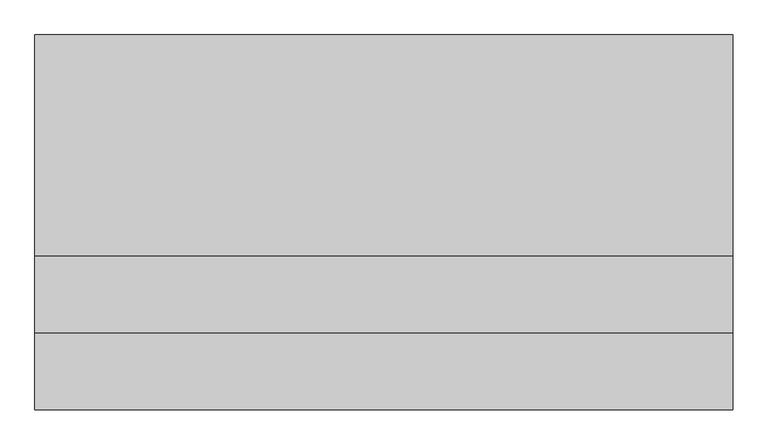
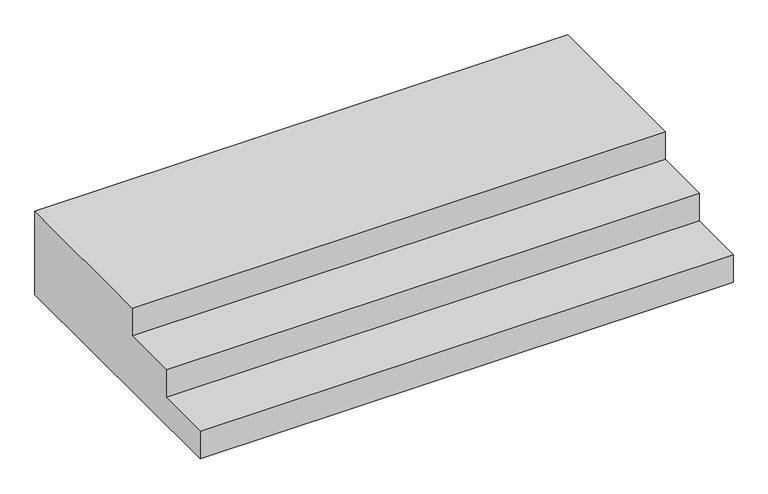
"""IFC4 building model written with IfcOpenShell, lengths in millimetres: proxy geometry."""

import ifcopenshell
import ifcopenshell.guid

model = None  # the IFC model being written
_history = None  # IfcOwnerHistory: only IFC2X3 demands one
_inside = {}  # id of a spatial element -> (the spatial element, [elements in it])
_under = {}  # id of a project, library or spatial element -> (it, [spatial elements below it])
_declared = {}  # id of a project -> (the project, [libraries it declares])
_typed = {}  # id of a type object -> (the type object, [elements of that type])
_made_of = {}  # id of a material, layer set ... -> (it, [elements and type objects made of it])


def new_model(schema):
    """Start an empty IFC model of exactly this schema.

    Asked for "IFC4X3", IfcOpenShell would pick the latest addendum, in which some entities
    have other attributes; the version numbers below select the first issue.
    IFC2X3 requires an IfcOwnerHistory on every rooted entity: one is made here for all.
    """
    global model, _history
    if schema == "IFC4X3":
        model = ifcopenshell.file(schema_version=(4, 3, 0, 0))
    else:
        model = ifcopenshell.file(schema=schema)
    _inside.clear()
    _under.clear()
    _declared.clear()
    _typed.clear()
    _made_of.clear()
    _history = None
    if model.schema == "IFC2X3":
        org = make("IfcOrganization", Name="unknown")
        user = make(
            "IfcPersonAndOrganization",
            ThePerson=make("IfcPerson", FamilyName="unknown"),
            TheOrganization=org,
        )
        app = make(
            "IfcApplication",
            ApplicationDeveloper=org,
            Version="unknown",
            ApplicationFullName="unknown",
            ApplicationIdentifier="unknown",
        )
        _history = make(
            "IfcOwnerHistory",
            OwningUser=user,
            OwningApplication=app,
            ChangeAction="ADDED",
            CreationDate=0,
        )
    return model


def make(cls, **values):
    """One entity of the class cls with the attributes given. An attribute that is None is left unset."""
    return model.create_entity(
        cls, **{name: value for name, value in values.items() if value is not None}
    )


def rooted(cls, **values):
    """An entity with a GlobalId (a new one), such as an element, a storey or a relation."""
    return make(cls, GlobalId=ifcopenshell.guid.new(), OwnerHistory=_history, **values)


def si_unit(unit_type, name, prefix=None):
    """IfcSIUnit, for example si_unit("LENGTHUNIT", "METRE", prefix="MILLI")."""
    return make("IfcSIUnit", UnitType=unit_type, Prefix=prefix, Name=name)


def assignment(units):
    """IfcUnitAssignment: the units of a project."""
    return None if units is None else make("IfcUnitAssignment", Units=units)


def point(xyz):
    """IfcCartesianPoint."""
    return None if xyz is None else make("IfcCartesianPoint", Coordinates=xyz)


def direction(xyz):
    """IfcDirection."""
    return None if xyz is None else make("IfcDirection", DirectionRatios=xyz)


def frame(location, z_axis=None, x_axis=None):
    """IfcAxis2Placement3D, a coordinate frame: its origin and axes. An axis left out is left unset."""
    return make(
        "IfcAxis2Placement3D",
        Location=point(location),
        Axis=direction(z_axis),
        RefDirection=direction(x_axis),
    )


def origin():
    """The frame at (0, 0, 0) with its axes left unset."""
    return frame((0.0, 0.0, 0.0))


def place(relative_to, where):
    """IfcLocalPlacement: puts the frame where relative to a parent placement (None: the world)."""
    return make(
        "IfcLocalPlacement", PlacementRelTo=relative_to, RelativePlacement=where
    )


def context(
    kind, dimensions, precision=None, world=None, true_north=None, identifier=None
):
    """IfcGeometricRepresentationContext, for example the 3D "Model" context."""
    return make(
        "IfcGeometricRepresentationContext",
        ContextIdentifier=identifier,
        ContextType=kind,
        CoordinateSpaceDimension=dimensions,
        Precision=precision,
        WorldCoordinateSystem=world,
        TrueNorth=true_north,
    )


def project(units=None, contexts=None):
    """IfcProject with its units and contexts."""
    return rooted(
        "IfcProject",
        Name="project",
        RepresentationContexts=contexts,
        UnitsInContext=assignment(units),
    )


def spatial(cls, under=None, at=None, **own):
    """A site, building, storey or space (cls), placed at a placement, below another one or the project."""
    s = rooted(cls, ObjectPlacement=at, **own)
    if under is not None:
        _under.setdefault(under.id(), (under, []))[1].append(s)
    return s


def polyline(points):
    """IfcPolyline through the points."""
    return make("IfcPolyline", Points=[point(p) for p in points])


def outline(outer, holes=None, kind="AREA"):
    """IfcArbitraryClosedProfileDef: a profile drawn as a closed curve; with holes, ...WithVoids."""
    if holes is None:
        return make("IfcArbitraryClosedProfileDef", ProfileType=kind, OuterCurve=outer)
    return make(
        "IfcArbitraryProfileDefWithVoids",
        ProfileType=kind,
        OuterCurve=outer,
        InnerCurves=holes,
    )


def extrude(swept, where, along, depth):
    """IfcExtrudedAreaSolid: the profile swept, set in the frame where, extruded along a direction by depth."""
    return make(
        "IfcExtrudedAreaSolid",
        SweptArea=swept,
        Position=where,
        ExtrudedDirection=direction(along),
        Depth=depth,
    )


def shape(context_of_items, identifier, shape_type, items):
    """IfcShapeRepresentation: the items that make up one representation, for example the "Body"."""
    return make(
        "IfcShapeRepresentation",
        ContextOfItems=context_of_items,
        RepresentationIdentifier=identifier,
        RepresentationType=shape_type,
        Items=items,
    )


def source(mapping_origin, context_of_items, identifier, shape_type, items):
    """IfcRepresentationMap: a shape defined once, which mapped items show again and again."""
    return make(
        "IfcRepresentationMap",
        MappingOrigin=mapping_origin,
        MappedRepresentation=shape(context_of_items, identifier, shape_type, items),
    )


def transform(
    local_origin,
    x_axis=None,
    y_axis=None,
    z_axis=None,
    scale=None,
    scale2=None,
    scale3=None,
    uniform=True,
):
    """IfcCartesianTransformationOperator3D, or its non-uniform kind. x_axis, y_axis, z_axis: its Axis1, 2, 3."""
    if uniform:
        return make(
            "IfcCartesianTransformationOperator3D",
            Axis1=direction(x_axis),
            Axis2=direction(y_axis),
            LocalOrigin=point(local_origin),
            Scale=scale,
            Axis3=direction(z_axis),
        )
    return make(
        "IfcCartesianTransformationOperator3DnonUniform",
        Axis1=direction(x_axis),
        Axis2=direction(y_axis),
        LocalOrigin=point(local_origin),
        Scale=scale,
        Axis3=direction(z_axis),
        Scale2=scale2,
        Scale3=scale3,
    )


def mapped(mapping_source, mapping_target):
    """IfcMappedItem: shows the shape of a source again, moved by a transform."""
    return make(
        "IfcMappedItem", MappingSource=mapping_source, MappingTarget=mapping_target
    )


def made_of(thing, what):
    """Note that an element or type object is made of a material, layer set ...; save() writes the relation."""
    if what is not None:
        _made_of.setdefault(what.id(), (what, []))[1].append(thing)
    return thing


def element(
    cls,
    number,
    at=None,
    inside=None,
    cuts=None,
    type_object=None,
    material=None,
    context=None,
    identifier="Body",
    shape_type=None,
    held_by="IfcProductDefinitionShape",
    body=None,
    shapes=None,
    **own,
):
    """One element of the class cls, such as IfcWall. Its Tag is "e" and its number.

    at: its placement. inside: the storey or other place that contains it. cuts: it is an
    opening in that element (IfcRelVoidsElement). A single representation is given by context,
    identifier, shape_type and body (its items); several are given by shapes. held_by: the class
    of the entity that holds the representations. save() writes the other relations.
    """
    e = rooted(cls, Tag="e%d" % number, ObjectPlacement=at, **own)
    if body is not None:
        shapes = [shape(context, identifier, shape_type, body)]
    if shapes is not None:
        e.Representation = make(held_by, Representations=shapes)
    if inside is not None:
        _inside.setdefault(inside.id(), (inside, []))[1].append(e)
    if cuts is not None:
        rooted(
            "IfcRelVoidsElement", RelatingBuildingElement=cuts, RelatedOpeningElement=e
        )
    if type_object is not None:
        _typed.setdefault(type_object.id(), (type_object, []))[1].append(e)
    return made_of(e, material)


def aggregate(whole, parts):
    """IfcRelAggregates: a whole, such as a stair, and the parts it consists of."""
    return rooted("IfcRelAggregates", RelatingObject=whole, RelatedObjects=parts)


def save(model, path):
    """Write the relations noted so far, then the file.

    IfcRelAggregates (storeys below a building ...), IfcRelContainedInSpatialStructure (elements
    in a storey), IfcRelDefinesByType, IfcRelAssociatesMaterial and IfcRelDeclares: one each for
    every whole, place, type object, material and project.
    """
    for whole, parts in _under.values():
        aggregate(whole, parts)
    for where, things in _inside.values():
        rooted(
            "IfcRelContainedInSpatialStructure",
            RelatedElements=things,
            RelatingStructure=where,
        )
    for kind, things in _typed.values():
        rooted("IfcRelDefinesByType", RelatedObjects=things, RelatingType=kind)
    for what, things in _made_of.values():
        rooted("IfcRelAssociatesMaterial", RelatedObjects=things, RelatingMaterial=what)
    for by, libraries in _declared.values():
        rooted("IfcRelDeclares", RelatingContext=by, RelatedDefinitions=libraries)
    model.write(path)


def generic_models_85e03f71(model_context):
    return source(origin(), model_context, "Body", "SweptSolid", [
        extrude(outline(polyline([(-8794.2842385, 0.0), (-7934.2842385, 0.0), (-7934.2842385, -450.0), (-9394.2842385, -450.0), (-9394.2842385, -300.0), (-9094.2842385, -300.0), (-9094.2842385, -150.0), (-8794.2842385, -150.0), (-8794.2842385, 0.0)])), frame((-1226.2170004, 0.0, 0.0), z_axis=(1.0, 0.0, 0.0), x_axis=(0.0, 1.0, 0.0)), (0.0, 0.0, 1.0), 2720.0),
    ])


if __name__ == "__main__":
    model = new_model("IFC4")
    model_context = context("Model", 3, world=origin())
    ifc_project = project(units=[si_unit("LENGTHUNIT", "METRE", prefix="MILLI")], contexts=[model_context])
    site = spatial("IfcSite", under=ifc_project)
    building = spatial("IfcBuilding", under=site)
    placement = place(None, origin())
    generic_models_shape = generic_models_85e03f71(model_context)
    element("IfcBuildingElementProxy", 1, Name="Generic Models", at=placement, inside=building, context=model_context, shape_type="MappedRepresentation", body=[
        mapped(generic_models_shape, transform((0.0, 0.0, 0.0), x_axis=(1.0, 0.0, 0.0), y_axis=(0.0, 1.0, 0.0), z_axis=(0.0, 0.0, 1.0))),
    ])
    save(model, "model.ifc")
